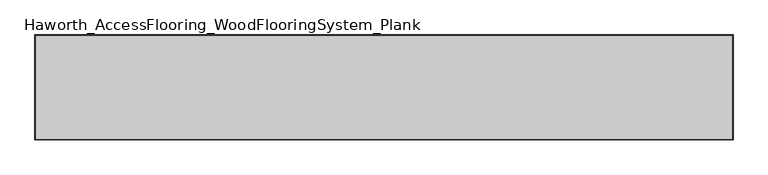
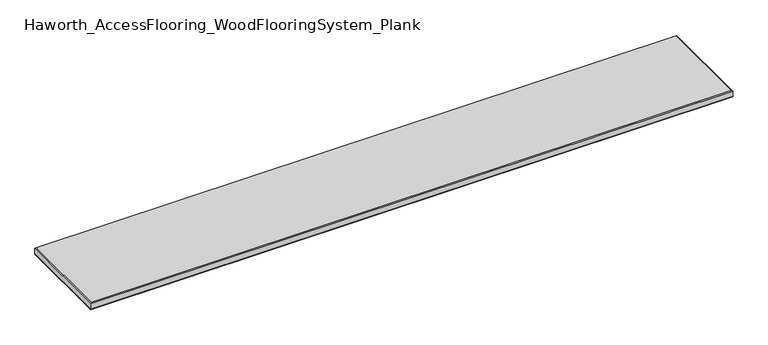
"""IFC4 building model written with IfcOpenShell, lengths in millimetres: proxy geometry, Haworth_AccessFlooring_WoodFlooringSystem_Plank."""

from ifc_helpers import new_model, si_unit, frame, origin, place, context, project, spatial, polyline, outline, extrude, faceted_brep, source, transform, mapped, element, save


def haworth_accessflooring_woodflooringsystem_plank_60e317f7(model_context):
    return source(origin(), model_context, "Body", "SolidModel", [
        extrude(outline(polyline([(731.0450263, 109.9839844), (731.0450263, -109.9839844), (-731.0450263, -109.9839844), (-731.0450263, 109.9839844), (731.0450263, 109.9839844)])), frame((0.0, 0.0, -15.875), z_axis=(0.0, 0.0, 1.0), x_axis=(1.0, 0.0, 0.0)), (0.0, 0.0, 1.0), 0.9921875),
        faceted_brep([(731.0450263, 109.9839844, -14.8828125), (731.0450263, -109.9839844, -14.8828125), (-731.0450263, -109.9839844, -14.8828125), (-731.0450263, 109.9839844, -14.8828125), (-731.0450263, 109.9839844, -1.5875), (731.0450263, 109.9839844, -1.5875), (-731.0450263, -109.9839844, -1.5875), (731.0450263, -109.9839844, -1.5875), (729.4575263, 108.3964844, 0.0), (-729.4575263, 108.3964844, 0.0), (-729.4575263, -108.3964844, 0.0), (729.4575263, -108.3964844, 0.0)], [[[0, 1, 2, 3]], [[0, 3, 4, 5]], [[3, 2, 6, 4]], [[2, 1, 7, 6]], [[1, 0, 5, 7]], [[8, 9, 10, 11]], [[9, 8, 5, 4]], [[10, 9, 4, 6]], [[11, 10, 6, 7]], [[8, 11, 7, 5]]]),
    ])


if __name__ == "__main__":
    model = new_model("IFC4")
    model_context = context("Model", 3, world=origin())
    ifc_project = project(units=[si_unit("LENGTHUNIT", "METRE", prefix="MILLI")], contexts=[model_context])
    site = spatial("IfcSite", under=ifc_project)
    building = spatial("IfcBuilding", under=site)
    placement = place(None, origin())
    haworth_accessflooring_woodflooringsystem_plank_shape = haworth_accessflooring_woodflooringsystem_plank_60e317f7(model_context)
    element("IfcBuildingElementProxy", 1, Name="Haworth_AccessFlooring_WoodFlooringSystem_Plank", ObjectType="Haworth_AccessFlooring_WoodFlooringSystem_Plank", at=placement, inside=building, context=model_context, shape_type="MappedRepresentation", body=[
        mapped(haworth_accessflooring_woodflooringsystem_plank_shape, transform((0.0, 0.0, 0.0), x_axis=(1.0, 0.0, 0.0), y_axis=(0.0, 1.0, 0.0), z_axis=(0.0, 0.0, 1.0))),
    ])
    save(model, "model.ifc")
